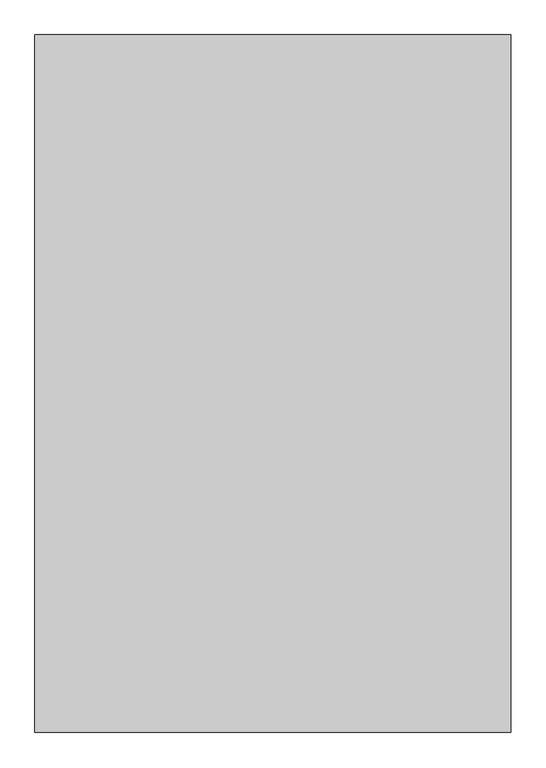
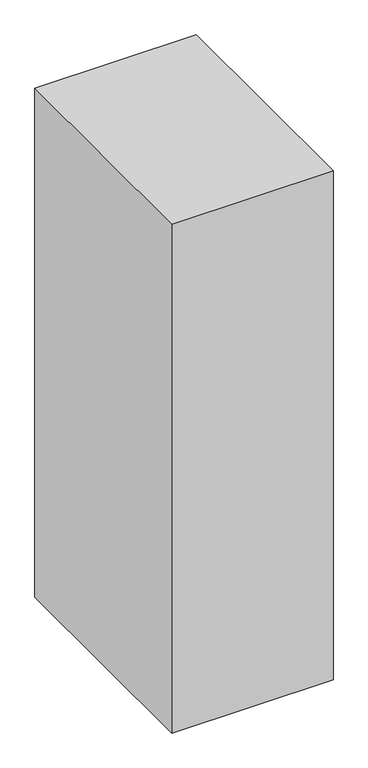
"""IFC4 building model written with IfcOpenShell, lengths in millimetres: proxy geometry."""

from ifc_helpers import new_model, si_unit, frame, origin, place, context, project, spatial, polyline, outline, extrude, source, transform, mapped, element, save


def generic_models_fea825f7(model_context):
    return source(origin(), model_context, "Body", "SweptSolid", [
        extrude(outline(polyline([(1500.0, -1790.3998032), (0.0, -1790.3998032), (0.0, 409.6001968), (1500.0, 409.6001968), (1500.0, -1790.3998032)])), frame((0.0, 0.0, 1500.0), z_axis=(0.0, 0.0, 1.0), x_axis=(1.0, 0.0, 0.0)), (0.0, 0.0, 1.0), 5000.0),
    ])


if __name__ == "__main__":
    model = new_model("IFC4")
    model_context = context("Model", 3, world=origin())
    ifc_project = project(units=[si_unit("LENGTHUNIT", "METRE", prefix="MILLI")], contexts=[model_context])
    site = spatial("IfcSite", under=ifc_project)
    building = spatial("IfcBuilding", under=site)
    placement = place(None, origin())
    generic_models_shape = generic_models_fea825f7(model_context)
    element("IfcBuildingElementProxy", 1, Name="Generic Models", at=placement, inside=building, context=model_context, shape_type="MappedRepresentation", body=[
        mapped(generic_models_shape, transform((0.0, 0.0, 0.0), x_axis=(1.0, 0.0, 0.0), y_axis=(0.0, 1.0, 0.0), z_axis=(0.0, 0.0, 1.0))),
    ])
    save(model, "model.ifc")
